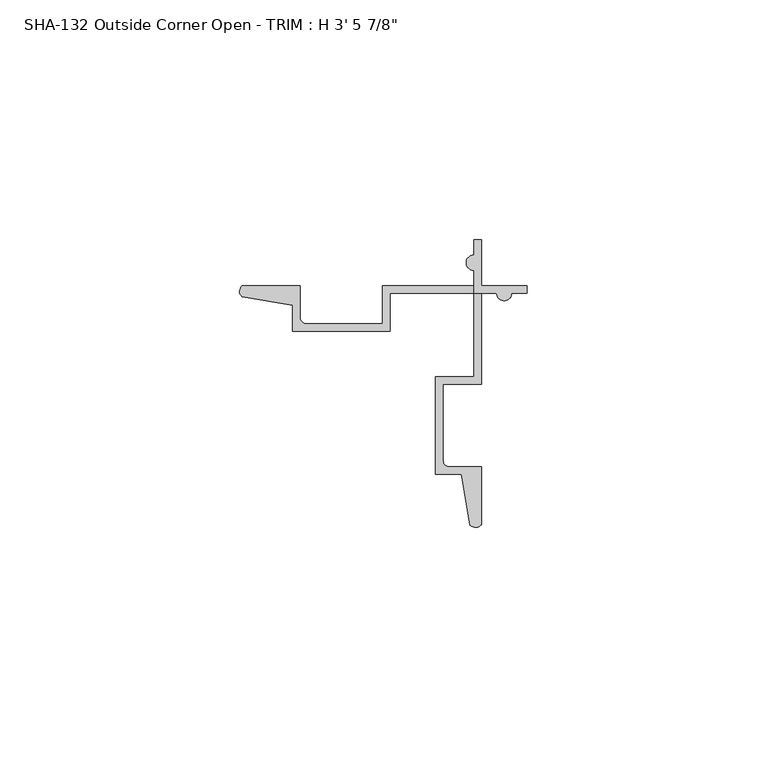
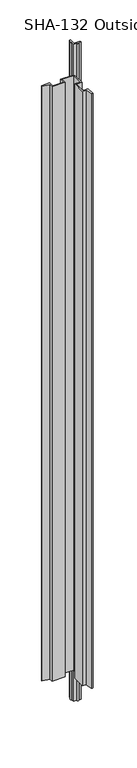
"""IFC4 building model written with IfcOpenShell, lengths in millimetres: proxy geometry."""

from ifc_helpers import new_model, si_unit, frame, origin, place, context, project, spatial, polyline, circle_curve, source, transform, mapped, element, save
from ifc_brep_helpers import plane_surface, cylinder_surface, revolved_surface, advanced_brep


def proxy_b1ea8b14(model_context):
    return source(origin(), model_context, "Body", "AdvancedBrep", [
        advanced_brep(
        [(23.3103295, 17.4752, 1063.625), (26.4599295, 17.4752, 1063.625), (29.6476295, 17.4752, 1063.625), (29.6476295, 19.05, 1063.625), (20.1226295, 19.05, 1063.625), (20.1226295, 28.575, 1063.625), (18.5478295, 28.575, 1063.625), (18.5478295, 25.3873, 1063.625), (18.5478295, 22.2377, 1063.625), (18.5478295, 17.4752, 1063.625), (18.5478295, 17.4752, 0.0), (18.5478295, 22.2377, 0.0), (18.5478295, 25.3873, 0.0), (18.5478295, 28.575, 0.0), (20.1226295, 28.575, 0.0), (20.1226295, 19.05, 0.0), (29.6476295, 19.05, 0.0), (29.6476295, 17.4752, 0.0), (26.4599295, 17.4752, 0.0), (23.3103295, 17.4752, 0.0), (-29.8194785, 16.7286308, 1012.825), (-29.8194785, 16.7286308, 50.8), (-19.2433916, 14.917657, 50.8), (-19.2433916, 14.917657, 1012.825), (-19.2433916, 9.525, 50.8), (-19.2433916, 9.525, 1012.825), (1.0726295, 9.525, 50.8), (1.0726295, 9.525, 1012.825), (1.0726295, 17.4752, 50.8), (1.0726295, 17.4752, 1012.825), (18.5478295, 17.4752, 1012.825), (20.1226295, 17.4752, 1012.825), (20.1226295, 17.4752, 50.8), (18.5478295, 17.4752, 50.8), (18.5478295, 9.525, 50.8), (18.5478295, 0.0, 50.8), (18.5478295, 0.0, 1012.825), (18.5478295, 9.525, 1012.825), (10.5976295, 0.0, 50.8), (10.5976295, 0.0, 1012.825), (10.5976295, -20.3160211, 50.8), (10.5976295, -20.3160211, 1012.825), (15.9902864, -20.3160211, 50.8), (15.9902864, -20.3160211, 1012.825), (17.8012602, -30.892108, 50.8), (17.8012602, -30.892108, 1012.825), (20.1226295, -30.8260242, 50.8), (20.1226295, -30.8260242, 1012.825), (20.1226295, -18.7412211, 50.8), (20.1226295, -18.7412211, 1012.825), (13.4424295, -18.7412211, 50.8), (13.4424295, -18.7412211, 1012.825), (12.1724295, -17.4712211, 50.8), (12.1724295, -17.4712211, 1012.825), (12.1724295, -1.5748, 50.8), (12.1724295, -1.5748, 1012.825), (20.1226295, -1.5748, 50.8), (20.1226295, -1.5748, 1012.825), (18.5478295, 19.05, 50.8), (18.5478295, 19.05, 1012.825), (-0.5021705, 19.05, 50.8), (-0.5021705, 19.05, 1012.825), (-0.5021705, 11.0998, 50.8), (-0.5021705, 11.0998, 1012.825), (-16.3985916, 11.0998, 50.8), (-16.3985916, 11.0998, 1012.825), (-17.6685916, 12.3698, 50.8), (-17.6685916, 12.3698, 1012.825), (-17.6685916, 19.05, 50.8), (-17.6685916, 19.05, 1012.825), (-29.7533947, 19.05, 50.8), (-29.7533947, 19.05, 1012.825)],
        [
            (0, 1, circle_curve(frame((24.8851295, 17.4752, 1063.625), z_axis=(0.0, 0.0, 1.0), x_axis=(1.0, 0.0, 0.0)), 1.5748)),
            (1, 2),
            (2, 3),
            (3, 4),
            (4, 5),
            (5, 6),
            (6, 7),
            (7, 8, circle_curve(frame((18.5478295, 23.8125, 1063.625), z_axis=(0.0, 0.0, 1.0), x_axis=(1.0, 0.0, 0.0)), 1.5748)),
            (8, 9),
            (9, 0),
            (10, 11),
            (11, 12, circle_curve(frame((18.5478295, 23.8125, 0.0), z_axis=(0.0, 0.0, -1.0), x_axis=(1.0, 0.0, 0.0)), 1.5748)),
            (12, 13),
            (13, 14),
            (14, 15),
            (15, 16),
            (16, 17),
            (17, 18),
            (18, 19, circle_curve(frame((24.8851295, 17.4752, 0.0), z_axis=(0.0, 0.0, -1.0), x_axis=(1.0, 0.0, 0.0)), 1.5748)),
            (19, 10),
            (20, 21),
            (21, 22),
            (22, 23),
            (23, 20),
            (22, 24),
            (24, 25),
            (25, 23),
            (24, 26),
            (26, 27),
            (27, 25),
            (26, 28),
            (28, 29),
            (29, 27),
            (19, 0),
            (9, 30),
            (30, 31),
            (31, 32),
            (32, 33),
            (33, 10),
            (33, 30),
            (30, 29),
            (28, 33),
            (33, 34),
            (34, 35),
            (35, 36),
            (36, 37),
            (37, 30),
            (35, 38),
            (38, 39),
            (39, 36),
            (38, 40),
            (40, 41),
            (41, 39),
            (40, 42),
            (42, 43),
            (43, 41),
            (42, 44),
            (44, 45),
            (45, 43),
            (44, 46, circle_curve(frame((18.929953, -29.7352665, 50.8), z_axis=(0.0, 0.0, 1.0), x_axis=(1.0, 0.0, 0.0)), 1.6162393)),
            (46, 47),
            (47, 45, circle_curve(frame((18.929953, -29.7352665, 1012.825), z_axis=(0.0, 0.0, -1.0), x_axis=(1.0, 0.0, 0.0)), 1.6162393)),
            (46, 48),
            (48, 49),
            (49, 47),
            (48, 50),
            (50, 51),
            (51, 49),
            (50, 52, circle_curve(frame((13.4424295, -17.4712211, 50.8), z_axis=(0.0, 0.0, -1.0), x_axis=(1.0, 0.0, 0.0)), 1.27)),
            (52, 53),
            (53, 51, circle_curve(frame((13.4424295, -17.4712211, 1012.825), z_axis=(0.0, 0.0, 1.0), x_axis=(1.0, 0.0, 0.0)), 1.27)),
            (52, 54),
            (54, 55),
            (55, 53),
            (54, 56),
            (56, 57),
            (57, 55),
            (56, 32),
            (31, 57),
            (18, 1),
            (17, 2),
            (16, 3),
            (15, 4),
            (14, 5),
            (13, 6),
            (12, 7),
            (11, 8),
            (33, 58),
            (58, 59),
            (59, 30),
            (58, 60),
            (60, 61),
            (61, 59),
            (60, 62),
            (62, 63),
            (63, 61),
            (62, 64),
            (64, 65),
            (65, 63),
            (64, 66, circle_curve(frame((-16.3985916, 12.3698, 50.8), z_axis=(0.0, 0.0, -1.0), x_axis=(1.0, 0.0, 0.0)), 1.27)),
            (66, 67),
            (67, 65, circle_curve(frame((-16.3985916, 12.3698, 1012.825), z_axis=(0.0, 0.0, 1.0), x_axis=(1.0, 0.0, 0.0)), 1.27)),
            (66, 68),
            (68, 69),
            (69, 67),
            (68, 70),
            (70, 71),
            (71, 69),
            (20, 71, circle_curve(frame((-28.662637, 17.8573235, 1012.825), z_axis=(0.0, 0.0, -1.0), x_axis=(1.0, 0.0, 0.0)), 1.6162393)),
            (70, 21, circle_curve(frame((-28.662637, 17.8573235, 50.8), z_axis=(0.0, 0.0, 1.0), x_axis=(1.0, 0.0, 0.0)), 1.6162393)),
        ],
        [
            plane_surface(frame((-19.2433916, 14.917657, 1063.625), z_axis=(0.0, 0.0, 1.0000000000000002), x_axis=(0.9856543593991652, -0.1687764314038585, 0.0))),
            plane_surface(frame((-19.2433916, 14.917657, 0.0), z_axis=(0.0, 0.0, -1.0000000000000002), x_axis=(-0.9856543593991652, 0.1687764314038585, 0.0))),
            plane_surface(frame((-29.8194785, 16.7286308, 1063.625), z_axis=(-0.1687764314038585, -0.9856543593991652, 0.0), x_axis=(0.0, 0.0, -1.0))),
            plane_surface(frame((-19.2433916, 14.917657, 1063.625), z_axis=(-1.0, 0.0, 0.0), x_axis=(0.0, 0.0, -1.0))),
            plane_surface(frame((-19.2433916, 9.525, 1063.625), z_axis=(0.0, -1.0, 0.0), x_axis=(0.0, 0.0, -1.0))),
            plane_surface(frame((1.0726295, 9.525, 1063.625), z_axis=(1.0, 0.0, 0.0), x_axis=(0.0, 0.0, -1.0))),
            plane_surface(frame((1.0726295, 17.4752, 1063.625), z_axis=(0.0, -1.0, 0.0), x_axis=(0.0, 0.0, -1.0))),
            plane_surface(frame((18.5478295, 17.4752, 1063.625), z_axis=(-1.0, 0.0, 0.0), x_axis=(0.0, 0.0, -1.0))),
            plane_surface(frame((18.5478295, 0.0, 1063.625), z_axis=(0.0, 1.0, 0.0), x_axis=(0.0, 0.0, -1.0))),
            plane_surface(frame((10.5976295, 0.0, 1063.625), z_axis=(-1.0, 0.0, 0.0), x_axis=(0.0, 0.0, -1.0))),
            plane_surface(frame((10.5976295, -20.3160211, 1063.625), z_axis=(0.0, -1.0, 0.0), x_axis=(0.0, 0.0, -1.0))),
            plane_surface(frame((15.9902864, -20.3160211, 1063.625), z_axis=(-0.9856543593994335, -0.16877643140229173, 0.0), x_axis=(0.0, 0.0, -1.0))),
            cylinder_surface(frame((18.929953, -29.7352665, 0.0), z_axis=(0.0, 0.0, 1.0), x_axis=(1.0, 0.0, 0.0)), 1.6162393),
            plane_surface(frame((20.1226295, -30.8260242, 1063.625), z_axis=(1.0, 0.0, 0.0), x_axis=(0.0, 0.0, -1.0))),
            plane_surface(frame((20.1226295, -18.7412211, 1063.625), z_axis=(0.0, 1.0, 0.0), x_axis=(0.0, 0.0, -1.0))),
            revolved_surface(polyline([(14.712429499999999, -17.4712211, 50.8), (14.712429499999999, -17.4712211, 1012.825)]), (13.4424295, -17.4712211, 0.0), (0.0, 0.0, -1.0)),
            plane_surface(frame((12.1724295, -17.4712211, 1063.625), z_axis=(1.0, 0.0, 0.0), x_axis=(0.0, 0.0, -1.0))),
            plane_surface(frame((12.1724295, -1.5748, 1063.625), z_axis=(0.0, -1.0, 0.0), x_axis=(0.0, 0.0, -1.0))),
            plane_surface(frame((20.1226295, -1.5748, 1063.625), z_axis=(1.0, 0.0, 0.0), x_axis=(0.0, 0.0, -1.0))),
            cylinder_surface(frame((24.8851295, 17.4752, 0.0), z_axis=(0.0, 0.0, 1.0), x_axis=(1.0, 0.0, 0.0)), 1.5748),
            plane_surface(frame((26.4599295, 17.4752, 1063.625), z_axis=(0.0, -1.0, 0.0), x_axis=(0.0, 0.0, -1.0))),
            plane_surface(frame((29.6476295, 17.4752, 1063.625), z_axis=(1.0, 0.0, 0.0), x_axis=(0.0, 0.0, -1.0))),
            plane_surface(frame((29.6476295, 19.05, 1063.625), z_axis=(0.0, 1.0, 0.0), x_axis=(0.0, 0.0, -1.0))),
            plane_surface(frame((20.1226295, 19.05, 1063.625), z_axis=(1.0, 0.0, 0.0), x_axis=(0.0, 0.0, -1.0))),
            plane_surface(frame((20.1226295, 28.575, 1063.625), z_axis=(0.0, 1.0, 0.0), x_axis=(0.0, 0.0, -1.0))),
            plane_surface(frame((18.5478295, 28.575, 1063.625), z_axis=(-1.0, 0.0, 0.0), x_axis=(0.0, 0.0, -1.0))),
            cylinder_surface(frame((18.5478295, 23.8125, 0.0), z_axis=(0.0, 0.0, 1.0), x_axis=(1.0, 0.0, 0.0)), 1.5748),
            plane_surface(frame((18.5478295, 22.2377, 1063.625), z_axis=(-1.0, 0.0, 0.0), x_axis=(0.0, 0.0, -1.0))),
            plane_surface(frame((18.5478295, 19.05, 1063.625), z_axis=(0.0, 1.0, 0.0), x_axis=(0.0, 0.0, -1.0))),
            plane_surface(frame((-0.5021705, 19.05, 1063.625), z_axis=(-1.0, 0.0, 0.0), x_axis=(0.0, 0.0, -1.0))),
            plane_surface(frame((-0.5021705, 11.0998, 1063.625), z_axis=(0.0, 1.0, 0.0), x_axis=(0.0, 0.0, -1.0))),
            revolved_surface(polyline([(-15.1285916, 12.3698, 50.8), (-15.1285916, 12.3698, 1012.825)]), (-16.3985916, 12.3698, 0.0), (0.0, 0.0, -1.0)),
            plane_surface(frame((-17.6685916, 12.3698, 1063.625), z_axis=(1.0, 0.0, 0.0), x_axis=(0.0, 0.0, -1.0))),
            plane_surface(frame((-17.6685916, 19.05, 1063.625), z_axis=(0.0, 1.0, 0.0), x_axis=(0.0, 0.0, -1.0))),
            cylinder_surface(frame((-28.662637, 17.8573235, 0.0), z_axis=(0.0, 0.0, 1.0), x_axis=(1.0, 0.0, 0.0)), 1.6162393),
            plane_surface(frame((20.1226295, -31.4179662, 1012.825), z_axis=(0.0, 0.0, 1.0), x_axis=(-1.0, 0.0, 0.0))),
            plane_surface(frame((20.1226295, 17.4752, 50.8), z_axis=(0.0, 0.0, -1.0), x_axis=(-1.0, 0.0, 0.0))),
            plane_surface(frame((-30.3698861, 9.525, 1012.825), z_axis=(0.0, 0.0, 1.0), x_axis=(0.0, 1.0, 0.0))),
            plane_surface(frame((18.5478295, 9.525, 50.8), z_axis=(0.0, 0.0, -1.0), x_axis=(0.0, 1.0, 0.0))),
        ],
        [
            (0, [[1, 2, 3, 4, 5, 6, 7, 8, 9, 10]]),
            (1, [[11, 12, 13, 14, 15, 16, 17, 18, 19, 20]]),
            (2, [[21, 22, 23, 24]]),
            (3, [[-23, 25, 26, 27]]),
            (4, [[-26, 28, 29, 30]]),
            (5, [[-29, 31, 32, 33]]),
            (6, [[34, -10, 35, 36, 37, 38, 39, -20]]),
            (6, [[40, 41, -32, 42]]),
            (7, [[-40, 43, 44, 45, 46, 47]]),
            (8, [[-45, 48, 49, 50]]),
            (9, [[-49, 51, 52, 53]]),
            (10, [[-52, 54, 55, 56]]),
            (11, [[-55, 57, 58, 59]]),
            (12, [[-58, 60, 61, 62]]),
            (13, [[-61, 63, 64, 65]]),
            (14, [[-64, 66, 67, 68]]),
            (15, [[-67, 69, 70, 71]]),
            (16, [[-70, 72, 73, 74]]),
            (17, [[-73, 75, 76, 77]]),
            (18, [[-76, 78, -37, 79]]),
            (19, [[-1, -34, -19, 80]]),
            (20, [[-2, -80, -18, 81]]),
            (21, [[-3, -81, -17, 82]]),
            (22, [[-4, -82, -16, 83]]),
            (23, [[-5, -83, -15, 84]]),
            (24, [[-6, -84, -14, 85]]),
            (25, [[-7, -85, -13, 86]]),
            (26, [[-8, -86, -12, 87]]),
            (27, [[-87, -11, -39, 88, 89, 90, -35, -9]]),
            (28, [[-89, 91, 92, 93]]),
            (29, [[-92, 94, 95, 96]]),
            (30, [[-95, 97, 98, 99]]),
            (31, [[-98, 100, 101, 102]]),
            (32, [[-101, 103, 104, 105]]),
            (33, [[-104, 106, 107, 108]]),
            (34, [[-21, 109, -107, 110]]),
            (35, [[-36, -47, -46, -50, -53, -56, -59, -62, -65, -68, -71, -74, -77, -79]]),
            (36, [[-38, -78, -75, -72, -69, -66, -63, -60, -57, -54, -51, -48, -44, -43]]),
            (37, [[-90, -93, -96, -99, -102, -105, -108, -109, -24, -27, -30, -33, -41]]),
            (38, [[-88, -42, -31, -28, -25, -22, -110, -106, -103, -100, -97, -94, -91]]),
        ],
    ),
    ])


if __name__ == "__main__":
    model = new_model("IFC4")
    model_context = context("Model", 3, world=origin())
    ifc_project = project(units=[si_unit("LENGTHUNIT", "METRE", prefix="MILLI")], contexts=[model_context])
    site = spatial("IfcSite", under=ifc_project)
    building = spatial("IfcBuilding", under=site)
    placement = place(None, origin())
    proxy_shape = proxy_b1ea8b14(model_context)
    element("IfcBuildingElementProxy", 1, Name="SHA-132 Outside Corner Open - TRIM : H 3' 5 7/8\"", ObjectType="SHA-132 Outside Corner Open - TRIM : H 3' 5 7/8\"", at=placement, inside=building, context=model_context, shape_type="MappedRepresentation", body=[
        mapped(proxy_shape, transform((0.0, 0.0, 0.0), x_axis=(1.0, 0.0, 0.0), y_axis=(0.0, 1.0, 0.0), z_axis=(0.0, 0.0, 1.0))),
    ])
    save(model, "model.ifc")
